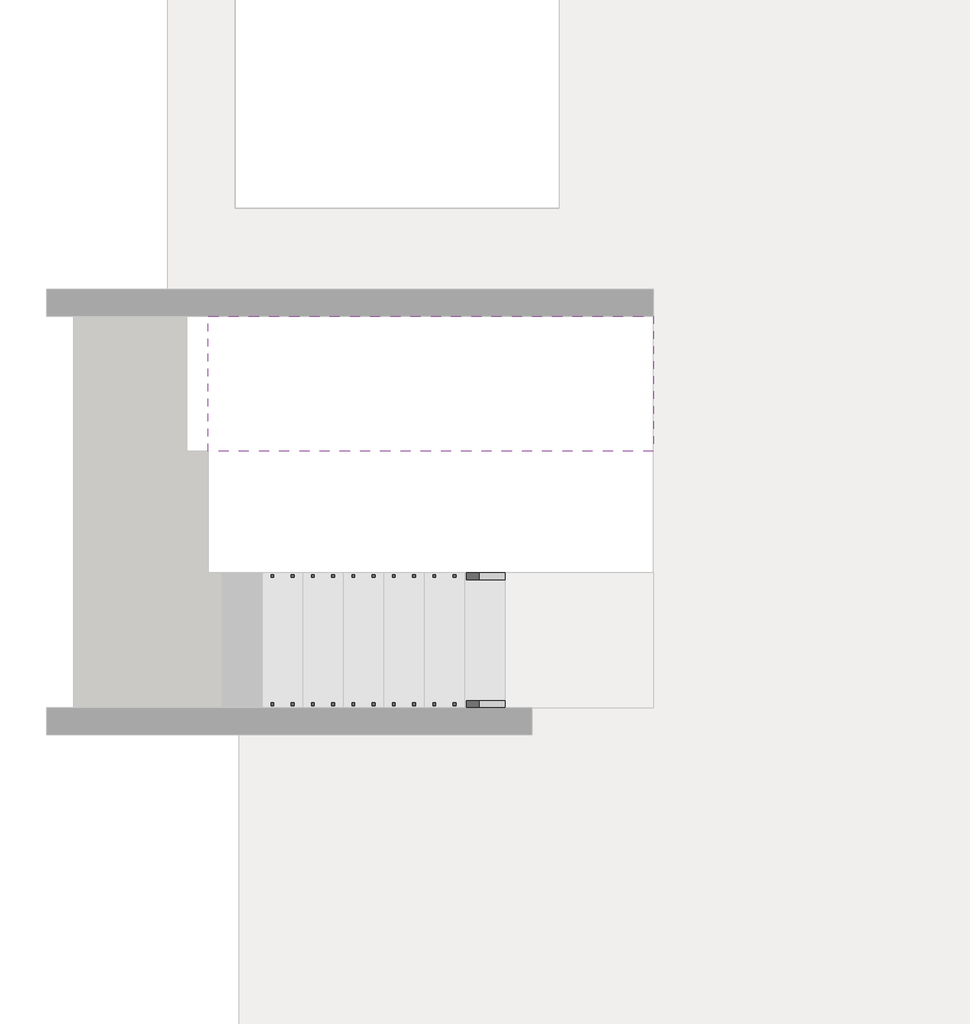
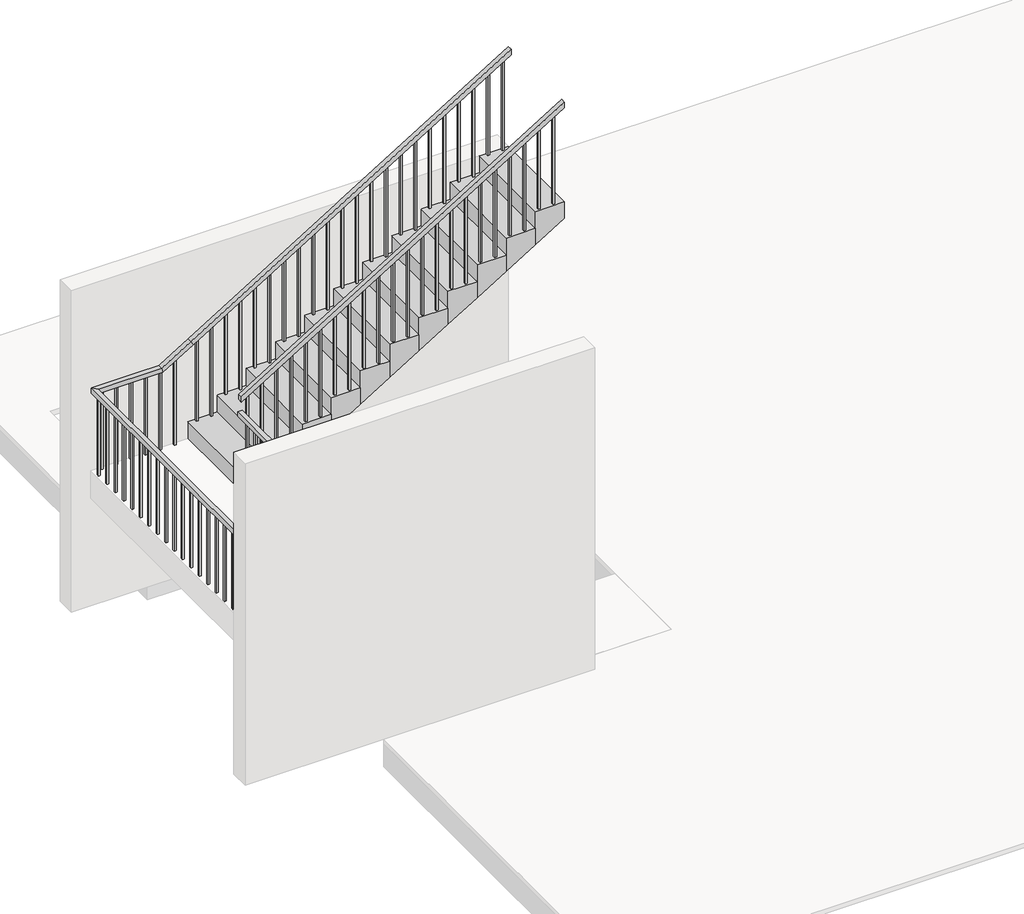
# One storey, part 5 of 5: 2 railings, 1 stair flight.
"""IFC4 building model written with IfcOpenShell, lengths in millimetres."""

from ifc_helpers import new_model, si_unit, frame, origin, place, context, project, spatial, polyline, outline, extrude, faceted_brep, element, save

model = new_model("IFC4")

# Units and contexts
model_context = context("Model", 3, world=origin())
ifc_project = project(units=[si_unit("LENGTHUNIT", "METRE", prefix="MILLI")], contexts=[model_context])

# Site, building, storey
site = spatial("IfcSite", under=ifc_project)
building = spatial("IfcBuilding", under=site)
storey = spatial("IfcBuildingStorey", under=building, Elevation=3500.0)

# Railings
placement = place(None, origin())
element("IfcRailing", 1, ObjectType="900mm", at=placement, inside=storey, context=model_context, shape_type="SolidModel", body=[
    faceted_brep([(2250.0, -5847.2939341, 4584.2105263), (2250.0, -5847.2939341, 4525.5368719), (2250.0, -5797.2939341, 4525.5368719), (2250.0, -5797.2939341, 4584.2105263), (150.0, -5847.2939341, 5873.6842105), (135.8743343, -5847.2939341, 5823.6842105), (135.8743343, -5797.2939341, 5823.6842105), (150.0, -5797.2939341, 5873.6842105), (-0.4, -5847.2939341, 5873.6842105), (-0.4, -5847.2939341, 5823.6842105), (49.6, -5797.2939341, 5823.6842105), (49.6, -5797.2939341, 5873.6842105), (-0.4, -4871.493934, 5873.6842105), (49.6, -4871.493934, 5873.6842105), (49.6, -4871.493934, 5823.6842105), (-0.4, -4871.493934, 5823.6842105)], [[[0, 1, 2, 3]], [[1, 0, 4, 5]], [[2, 1, 5, 6]], [[3, 2, 6, 7]], [[0, 3, 7, 4]], [[5, 4, 8, 9]], [[6, 5, 9, 10]], [[7, 6, 10, 11]], [[4, 7, 11, 8]], [[12, 13, 14, 15]], [[9, 8, 12, 15]], [[10, 9, 15, 14]], [[11, 10, 14, 13]], [[8, 11, 13, 12]]]),
    faceted_brep([(24.6, -4846.493934, 6042.2982456), (24.6, -4846.493934, 5983.6245912), (24.6, -4896.493934, 5983.6245912), (24.6, -4896.493934, 6042.2982456), (3350.0, -4846.493934, 8084.2105263), (3350.0, -4896.493934, 8084.2105263), (3350.0, -4896.493934, 8025.5368719), (3350.0, -4846.493934, 8025.5368719)], [[[0, 1, 2, 3]], [[4, 5, 6, 7]], [[1, 0, 4, 7]], [[2, 1, 7, 6]], [[3, 2, 6, 5]], [[0, 3, 5, 4]]]),
    extrude(outline(polyline([(7957.7473982, 3239.6), (7000.0, 3239.6), (7000.0, 3259.6), (7970.0281, 3259.6), (7957.7473982, 3239.6)])), frame((0.0, -4881.493934, 0.0), z_axis=(0.0, 1.0, 0.0), x_axis=(0.0, 0.0, 1.0)), (0.0, 0.0, 1.0), 20.0),
    extrude(outline(polyline([(7865.6421351, 3089.6), (7000.0, 3089.6), (7000.0, 3109.6), (7877.9228368, 3109.6), (7865.6421351, 3089.6)])), frame((0.0, -4881.493934, 0.0), z_axis=(0.0, 1.0, 0.0), x_axis=(0.0, 0.0, 1.0)), (0.0, 0.0, 1.0), 20.0),
    extrude(outline(polyline([(7773.5368719, 2939.6), (6815.7894737, 2939.6), (6815.7894737, 2959.6), (7785.8175737, 2959.6), (7773.5368719, 2939.6)])), frame((0.0, -4881.493934, 0.0), z_axis=(0.0, 1.0, 0.0), x_axis=(0.0, 0.0, 1.0)), (0.0, 0.0, 1.0), 20.0),
    extrude(outline(polyline([(7681.4316087, 2789.6), (6815.7894737, 2789.6), (6815.7894737, 2809.6), (7693.7123105, 2809.6), (7681.4316087, 2789.6)])), frame((0.0, -4881.493934, 0.0), z_axis=(0.0, 1.0, 0.0), x_axis=(0.0, 0.0, 1.0)), (0.0, 0.0, 1.0), 20.0),
    extrude(outline(polyline([(7589.3263456, 2639.6), (6631.5789474, 2639.6), (6631.5789474, 2659.6), (7601.6070473, 2659.6), (7589.3263456, 2639.6)])), frame((0.0, -4881.493934, 0.0), z_axis=(0.0, 1.0, 0.0), x_axis=(0.0, 0.0, 1.0)), (0.0, 0.0, 1.0), 20.0),
    extrude(outline(polyline([(7497.2210824, 2489.6), (6631.5789474, 2489.6), (6631.5789474, 2509.6), (7509.5017842, 2509.6), (7497.2210824, 2489.6)])), frame((0.0, -4881.493934, 0.0), z_axis=(0.0, 1.0, 0.0), x_axis=(0.0, 0.0, 1.0)), (0.0, 0.0, 1.0), 20.0),
    extrude(outline(polyline([(7405.1158193, 2339.6), (6447.3684211, 2339.6), (6447.3684211, 2359.6), (7417.396521, 2359.6), (7405.1158193, 2339.6)])), frame((0.0, -4881.493934, 0.0), z_axis=(0.0, 1.0, 0.0), x_axis=(0.0, 0.0, 1.0)), (0.0, 0.0, 1.0), 20.0),
    extrude(outline(polyline([(7313.0105561, 2189.6), (6447.3684211, 2189.6), (6447.3684211, 2209.6), (7325.2912579, 2209.6), (7313.0105561, 2189.6)])), frame((0.0, -4881.493934, 0.0), z_axis=(0.0, 1.0, 0.0), x_axis=(0.0, 0.0, 1.0)), (0.0, 0.0, 1.0), 20.0),
    extrude(outline(polyline([(7220.905293, 2039.6), (6263.1578947, 2039.6), (6263.1578947, 2059.6), (7233.1859947, 2059.6), (7220.905293, 2039.6)])), frame((0.0, -4881.493934, 0.0), z_axis=(0.0, 1.0, 0.0), x_axis=(0.0, 0.0, 1.0)), (0.0, 0.0, 1.0), 20.0),
    extrude(outline(polyline([(7128.8000298, 1889.6), (6263.1578947, 1889.6), (6263.1578947, 1909.6), (7141.0807316, 1909.6), (7128.8000298, 1889.6)])), frame((0.0, -4881.493934, 0.0), z_axis=(0.0, 1.0, 0.0), x_axis=(0.0, 0.0, 1.0)), (0.0, 0.0, 1.0), 20.0),
    extrude(outline(polyline([(7036.6947666, 1739.6), (6078.9473684, 1739.6), (6078.9473684, 1759.6), (7048.9754684, 1759.6), (7036.6947666, 1739.6)])), frame((0.0, -4881.493934, 0.0), z_axis=(0.0, 1.0, 0.0), x_axis=(0.0, 0.0, 1.0)), (0.0, 0.0, 1.0), 20.0),
    extrude(outline(polyline([(6944.5895035, 1589.6), (6078.9473684, 1589.6), (6078.9473684, 1609.6), (6956.8702052, 1609.6), (6944.5895035, 1589.6)])), frame((0.0, -4881.493934, 0.0), z_axis=(0.0, 1.0, 0.0), x_axis=(0.0, 0.0, 1.0)), (0.0, 0.0, 1.0), 20.0),
    extrude(outline(polyline([(6852.4842403, 1439.6), (5894.7368421, 1439.6), (5894.7368421, 1459.6), (6864.7649421, 1459.6), (6852.4842403, 1439.6)])), frame((0.0, -4881.493934, 0.0), z_axis=(0.0, 1.0, 0.0), x_axis=(0.0, 0.0, 1.0)), (0.0, 0.0, 1.0), 20.0),
    extrude(outline(polyline([(6760.3789772, 1289.6), (5894.7368421, 1289.6), (5894.7368421, 1309.6), (6772.6596789, 1309.6), (6760.3789772, 1289.6)])), frame((0.0, -4881.493934, 0.0), z_axis=(0.0, 1.0, 0.0), x_axis=(0.0, 0.0, 1.0)), (0.0, 0.0, 1.0), 20.0),
    extrude(outline(polyline([(6668.273714, 1139.6), (5710.5263158, 1139.6), (5710.5263158, 1159.6), (6680.5544158, 1159.6), (6668.273714, 1139.6)])), frame((0.0, -4881.493934, 0.0), z_axis=(0.0, 1.0, 0.0), x_axis=(0.0, 0.0, 1.0)), (0.0, 0.0, 1.0), 20.0),
    extrude(outline(polyline([(6576.1684508, 989.6), (5710.5263158, 989.6), (5710.5263158, 1009.6), (6588.4491526, 1009.6), (6576.1684508, 989.6)])), frame((0.0, -4881.493934, 0.0), z_axis=(0.0, 1.0, 0.0), x_axis=(0.0, 0.0, 1.0)), (0.0, 0.0, 1.0), 20.0),
    extrude(outline(polyline([(6484.0631877, 839.6), (5526.3157895, 839.6), (5526.3157895, 859.6), (6496.3438894, 859.6), (6484.0631877, 839.6)])), frame((0.0, -4881.493934, 0.0), z_axis=(0.0, 1.0, 0.0), x_axis=(0.0, 0.0, 1.0)), (0.0, 0.0, 1.0), 20.0),
    extrude(outline(polyline([(6391.9579245, 689.6), (5526.3157895, 689.6), (5526.3157895, 709.6), (6404.2386263, 709.6), (6391.9579245, 689.6)])), frame((0.0, -4881.493934, 0.0), z_axis=(0.0, 1.0, 0.0), x_axis=(0.0, 0.0, 1.0)), (0.0, 0.0, 1.0), 20.0),
    extrude(outline(polyline([(6299.8526614, 539.6), (5342.1052632, 539.6), (5342.1052632, 559.6), (6312.1333631, 559.6), (6299.8526614, 539.6)])), frame((0.0, -4881.493934, 0.0), z_axis=(0.0, 1.0, 0.0), x_axis=(0.0, 0.0, 1.0)), (0.0, 0.0, 1.0), 20.0),
    extrude(outline(polyline([(6207.7473982, 389.6), (5342.1052632, 389.6), (5342.1052632, 409.6), (6220.0281, 409.6), (6207.7473982, 389.6)])), frame((0.0, -4881.493934, 0.0), z_axis=(0.0, 1.0, 0.0), x_axis=(0.0, 0.0, 1.0)), (0.0, 0.0, 1.0), 20.0),
    extrude(outline(polyline([(6115.6421351, 239.6), (5157.8947368, 239.6), (5157.8947368, 259.6), (6127.9228368, 259.6), (6115.6421351, 239.6)])), frame((0.0, -4881.493934, 0.0), z_axis=(0.0, 1.0, 0.0), x_axis=(0.0, 0.0, 1.0)), (0.0, 0.0, 1.0), 20.0),
    extrude(outline(polyline([(6023.5368719, 89.6), (5157.8947368, 89.6), (5157.8947368, 109.6), (6035.8175737, 109.6), (6023.5368719, 89.6)])), frame((0.0, -4881.493934, 0.0), z_axis=(0.0, 1.0, 0.0), x_axis=(0.0, 0.0, 1.0)), (0.0, 0.0, 1.0), 20.0),
    extrude(outline(polyline([(34.6, -5007.2939341), (14.6, -5007.2939341), (14.6, -4987.2939341), (34.6, -4987.2939341), (34.6, -5007.2939341)])), frame((0.0, 0.0, 4973.6842105), z_axis=(0.0, 0.0, 1.0), x_axis=(1.0, 0.0, 0.0)), (0.0, 0.0, 1.0), 850.0),
    extrude(outline(polyline([(34.6, -5157.2939341), (14.6, -5157.2939341), (14.6, -5137.2939341), (34.6, -5137.2939341), (34.6, -5157.2939341)])), frame((0.0, 0.0, 4973.6842105), z_axis=(0.0, 0.0, 1.0), x_axis=(1.0, 0.0, 0.0)), (0.0, 0.0, 1.0), 850.0),
    extrude(outline(polyline([(34.6, -5307.2939341), (14.6, -5307.2939341), (14.6, -5287.2939341), (34.6, -5287.2939341), (34.6, -5307.2939341)])), frame((0.0, 0.0, 4973.6842105), z_axis=(0.0, 0.0, 1.0), x_axis=(1.0, 0.0, 0.0)), (0.0, 0.0, 1.0), 850.0),
    extrude(outline(polyline([(34.6, -5457.2939341), (14.6, -5457.2939341), (14.6, -5437.2939341), (34.6, -5437.2939341), (34.6, -5457.2939341)])), frame((0.0, 0.0, 4973.6842105), z_axis=(0.0, 0.0, 1.0), x_axis=(1.0, 0.0, 0.0)), (0.0, 0.0, 1.0), 850.0),
    extrude(outline(polyline([(34.6, -5607.2939341), (14.6, -5607.2939341), (14.6, -5587.2939341), (34.6, -5587.2939341), (34.6, -5607.2939341)])), frame((0.0, 0.0, 4973.6842105), z_axis=(0.0, 0.0, 1.0), x_axis=(1.0, 0.0, 0.0)), (0.0, 0.0, 1.0), 850.0),
    extrude(outline(polyline([(34.6, -5757.2939341), (14.6, -5757.2939341), (14.6, -5737.2939341), (34.6, -5737.2939341), (34.6, -5757.2939341)])), frame((0.0, 0.0, 4973.6842105), z_axis=(0.0, 0.0, 1.0), x_axis=(1.0, 0.0, 0.0)), (0.0, 0.0, 1.0), 850.0),
    extrude(outline(polyline([(85.0, -5812.2939341), (85.0, -5832.2939341), (65.0, -5832.2939341), (65.0, -5812.2939341), (85.0, -5812.2939341)])), frame((0.0, 0.0, 4973.6842105), z_axis=(0.0, 0.0, 1.0), x_axis=(1.0, 0.0, 0.0)), (0.0, 0.0, 1.0), 850.0),
    extrude(outline(polyline([(4789.4736842, 235.0), (5762.8175737, 235.0), (5775.0982754, 215.0), (4789.4736842, 215.0), (4789.4736842, 235.0)])), frame((0.0, -5832.2939341, 0.0), z_axis=(0.0, 1.0, 0.0), x_axis=(0.0, 0.0, 1.0)), (0.0, 0.0, 1.0), 20.0),
    extrude(outline(polyline([(4789.4736842, 385.0), (5670.7123105, 385.0), (5682.9930123, 365.0), (4789.4736842, 365.0), (4789.4736842, 385.0)])), frame((0.0, -5832.2939341, 0.0), z_axis=(0.0, 1.0, 0.0), x_axis=(0.0, 0.0, 1.0)), (0.0, 0.0, 1.0), 20.0),
    extrude(outline(polyline([(4605.2631579, 535.0), (5578.6070473, 535.0), (5590.8877491, 515.0), (4605.2631579, 515.0), (4605.2631579, 535.0)])), frame((0.0, -5832.2939341, 0.0), z_axis=(0.0, 1.0, 0.0), x_axis=(0.0, 0.0, 1.0)), (0.0, 0.0, 1.0), 20.0),
    extrude(outline(polyline([(4605.2631579, 685.0), (5486.5017842, 685.0), (5498.7824859, 665.0), (4605.2631579, 665.0), (4605.2631579, 685.0)])), frame((0.0, -5832.2939341, 0.0), z_axis=(0.0, 1.0, 0.0), x_axis=(0.0, 0.0, 1.0)), (0.0, 0.0, 1.0), 20.0),
    extrude(outline(polyline([(4421.0526316, 835.0), (5394.396521, 835.0), (5406.6772228, 815.0), (4421.0526316, 815.0), (4421.0526316, 835.0)])), frame((0.0, -5832.2939341, 0.0), z_axis=(0.0, 1.0, 0.0), x_axis=(0.0, 0.0, 1.0)), (0.0, 0.0, 1.0), 20.0),
    extrude(outline(polyline([(4421.0526316, 985.0), (5302.2912579, 985.0), (5314.5719596, 965.0), (4421.0526316, 965.0), (4421.0526316, 985.0)])), frame((0.0, -5832.2939341, 0.0), z_axis=(0.0, 1.0, 0.0), x_axis=(0.0, 0.0, 1.0)), (0.0, 0.0, 1.0), 20.0),
    extrude(outline(polyline([(4236.8421053, 1135.0), (5210.1859947, 1135.0), (5222.4666965, 1115.0), (4236.8421053, 1115.0), (4236.8421053, 1135.0)])), frame((0.0, -5832.2939341, 0.0), z_axis=(0.0, 1.0, 0.0), x_axis=(0.0, 0.0, 1.0)), (0.0, 0.0, 1.0), 20.0),
    extrude(outline(polyline([(4236.8421053, 1285.0), (5118.0807316, 1285.0), (5130.3614333, 1265.0), (4236.8421053, 1265.0), (4236.8421053, 1285.0)])), frame((0.0, -5832.2939341, 0.0), z_axis=(0.0, 1.0, 0.0), x_axis=(0.0, 0.0, 1.0)), (0.0, 0.0, 1.0), 20.0),
    extrude(outline(polyline([(4052.6315789, 1435.0), (5025.9754684, 1435.0), (5038.2561701, 1415.0), (4052.6315789, 1415.0), (4052.6315789, 1435.0)])), frame((0.0, -5832.2939341, 0.0), z_axis=(0.0, 1.0, 0.0), x_axis=(0.0, 0.0, 1.0)), (0.0, 0.0, 1.0), 20.0),
    extrude(outline(polyline([(4052.6315789, 1585.0), (4933.8702052, 1585.0), (4946.150907, 1565.0), (4052.6315789, 1565.0), (4052.6315789, 1585.0)])), frame((0.0, -5832.2939341, 0.0), z_axis=(0.0, 1.0, 0.0), x_axis=(0.0, 0.0, 1.0)), (0.0, 0.0, 1.0), 20.0),
    extrude(outline(polyline([(3868.4210526, 1735.0), (4841.7649421, 1735.0), (4854.0456438, 1715.0), (3868.4210526, 1715.0), (3868.4210526, 1735.0)])), frame((0.0, -5832.2939341, 0.0), z_axis=(0.0, 1.0, 0.0), x_axis=(0.0, 0.0, 1.0)), (0.0, 0.0, 1.0), 20.0),
    extrude(outline(polyline([(3868.4210526, 1885.0), (4749.6596789, 1885.0), (4761.9403807, 1865.0), (3868.4210526, 1865.0), (3868.4210526, 1885.0)])), frame((0.0, -5832.2939341, 0.0), z_axis=(0.0, 1.0, 0.0), x_axis=(0.0, 0.0, 1.0)), (0.0, 0.0, 1.0), 20.0),
    extrude(outline(polyline([(3684.2105263, 2035.0), (4657.5544158, 2035.0), (4669.8351175, 2015.0), (3684.2105263, 2015.0), (3684.2105263, 2035.0)])), frame((0.0, -5832.2939341, 0.0), z_axis=(0.0, 1.0, 0.0), x_axis=(0.0, 0.0, 1.0)), (0.0, 0.0, 1.0), 20.0),
    extrude(outline(polyline([(3684.2105263, 2185.0), (4565.4491526, 2185.0), (4577.7298544, 2165.0), (3684.2105263, 2165.0), (3684.2105263, 2185.0)])), frame((0.0, -5832.2939341, 0.0), z_axis=(0.0, 1.0, 0.0), x_axis=(0.0, 0.0, 1.0)), (0.0, 0.0, 1.0), 20.0),
])
element("IfcRailing", 2, ObjectType="900mm", at=placement, inside=storey, context=model_context, shape_type="SolidModel", body=[
    faceted_brep([(2250.0, -6796.4939341, 4584.2105263), (2250.0, -6796.4939341, 4525.5368719), (2250.0, -6746.4939341, 4525.5368719), (2250.0, -6746.4939341, 4584.2105263), (150.0, -6796.4939341, 5873.6842105), (135.8743343, -6796.4939341, 5823.6842105), (135.8743343, -6746.4939341, 5823.6842105), (150.0, -6746.4939341, 5873.6842105), (-949.6, -6796.4939341, 5873.6842105), (-949.6, -6796.4939341, 5823.6842105), (-899.6, -6746.4939341, 5823.6842105), (-899.6, -6746.4939341, 5873.6842105), (-949.6, -3897.293934, 5873.6842105), (-949.6, -3897.293934, 5823.6842105), (-899.6, -3947.293934, 5823.6842105), (-899.6, -3947.293934, 5873.6842105), (-250.0, -3897.293934, 5873.6842105), (-235.8743342, -3897.293934, 5823.6842105), (-235.8743342, -3947.293934, 5823.6842105), (-250.0, -3947.293934, 5873.6842105), (50.0, -3897.293934, 6057.8947368), (76.1631517, -3897.293934, 6015.2861756), (76.1631517, -3947.293934, 6015.2861756), (50.0, -3947.293934, 6057.8947368), (3350.0, -3897.293934, 8084.2105263), (3350.0, -3947.293934, 8084.2105263), (3350.0, -3947.293934, 8025.5368719), (3350.0, -3897.293934, 8025.5368719)], [[[0, 1, 2, 3]], [[1, 0, 4, 5]], [[2, 1, 5, 6]], [[3, 2, 6, 7]], [[0, 3, 7, 4]], [[5, 4, 8, 9]], [[6, 5, 9, 10]], [[7, 6, 10, 11]], [[4, 7, 11, 8]], [[9, 8, 12, 13]], [[10, 9, 13, 14]], [[11, 10, 14, 15]], [[8, 11, 15, 12]], [[13, 12, 16, 17]], [[14, 13, 17, 18]], [[15, 14, 18, 19]], [[12, 15, 19, 16]], [[17, 16, 20, 21]], [[18, 17, 21, 22]], [[19, 18, 22, 23]], [[16, 19, 23, 20]], [[24, 25, 26, 27]], [[21, 20, 24, 27]], [[22, 21, 27, 26]], [[23, 22, 26, 25]], [[20, 23, 25, 24]]]),
    extrude(outline(polyline([(7000.0, 3265.0), (7000.0, 3285.0), (7985.6245912, 3285.0), (7973.3438894, 3265.0), (7000.0, 3265.0)])), frame((0.0, -3932.293934, 0.0), z_axis=(0.0, 1.0, 0.0), x_axis=(0.0, 0.0, 1.0)), (0.0, 0.0, 1.0), 20.0),
    extrude(outline(polyline([(7000.0, 3115.0), (7000.0, 3135.0), (7893.519328, 3135.0), (7881.2386263, 3115.0), (7000.0, 3115.0)])), frame((0.0, -3932.293934, 0.0), z_axis=(0.0, 1.0, 0.0), x_axis=(0.0, 0.0, 1.0)), (0.0, 0.0, 1.0), 20.0),
    extrude(outline(polyline([(6815.7894737, 2965.0), (6815.7894737, 2985.0), (7801.4140649, 2985.0), (7789.1333631, 2965.0), (6815.7894737, 2965.0)])), frame((0.0, -3932.293934, 0.0), z_axis=(0.0, 1.0, 0.0), x_axis=(0.0, 0.0, 1.0)), (0.0, 0.0, 1.0), 20.0),
    extrude(outline(polyline([(6815.7894737, 2815.0), (6815.7894737, 2835.0), (7709.3088017, 2835.0), (7697.0281, 2815.0), (6815.7894737, 2815.0)])), frame((0.0, -3932.293934, 0.0), z_axis=(0.0, 1.0, 0.0), x_axis=(0.0, 0.0, 1.0)), (0.0, 0.0, 1.0), 20.0),
    extrude(outline(polyline([(6631.5789474, 2665.0), (6631.5789474, 2685.0), (7617.2035386, 2685.0), (7604.9228368, 2665.0), (6631.5789474, 2665.0)])), frame((0.0, -3932.293934, 0.0), z_axis=(0.0, 1.0, 0.0), x_axis=(0.0, 0.0, 1.0)), (0.0, 0.0, 1.0), 20.0),
    extrude(outline(polyline([(6631.5789474, 2515.0), (6631.5789474, 2535.0), (7525.0982754, 2535.0), (7512.8175737, 2515.0), (6631.5789474, 2515.0)])), frame((0.0, -3932.293934, 0.0), z_axis=(0.0, 1.0, 0.0), x_axis=(0.0, 0.0, 1.0)), (0.0, 0.0, 1.0), 20.0),
    extrude(outline(polyline([(6447.3684211, 2365.0), (6447.3684211, 2385.0), (7432.9930123, 2385.0), (7420.7123105, 2365.0), (6447.3684211, 2365.0)])), frame((0.0, -3932.293934, 0.0), z_axis=(0.0, 1.0, 0.0), x_axis=(0.0, 0.0, 1.0)), (0.0, 0.0, 1.0), 20.0),
    extrude(outline(polyline([(6447.3684211, 2215.0), (6447.3684211, 2235.0), (7340.8877491, 2235.0), (7328.6070473, 2215.0), (6447.3684211, 2215.0)])), frame((0.0, -3932.293934, 0.0), z_axis=(0.0, 1.0, 0.0), x_axis=(0.0, 0.0, 1.0)), (0.0, 0.0, 1.0), 20.0),
    extrude(outline(polyline([(6263.1578947, 2065.0), (6263.1578947, 2085.0), (7248.7824859, 2085.0), (7236.5017842, 2065.0), (6263.1578947, 2065.0)])), frame((0.0, -3932.293934, 0.0), z_axis=(0.0, 1.0, 0.0), x_axis=(0.0, 0.0, 1.0)), (0.0, 0.0, 1.0), 20.0),
    extrude(outline(polyline([(6263.1578947, 1915.0), (6263.1578947, 1935.0), (7156.6772228, 1935.0), (7144.396521, 1915.0), (6263.1578947, 1915.0)])), frame((0.0, -3932.293934, 0.0), z_axis=(0.0, 1.0, 0.0), x_axis=(0.0, 0.0, 1.0)), (0.0, 0.0, 1.0), 20.0),
    extrude(outline(polyline([(6078.9473684, 1765.0), (6078.9473684, 1785.0), (7064.5719596, 1785.0), (7052.2912579, 1765.0), (6078.9473684, 1765.0)])), frame((0.0, -3932.293934, 0.0), z_axis=(0.0, 1.0, 0.0), x_axis=(0.0, 0.0, 1.0)), (0.0, 0.0, 1.0), 20.0),
    extrude(outline(polyline([(6078.9473684, 1615.0), (6078.9473684, 1635.0), (6972.4666965, 1635.0), (6960.1859947, 1615.0), (6078.9473684, 1615.0)])), frame((0.0, -3932.293934, 0.0), z_axis=(0.0, 1.0, 0.0), x_axis=(0.0, 0.0, 1.0)), (0.0, 0.0, 1.0), 20.0),
    extrude(outline(polyline([(5894.7368421, 1465.0), (5894.7368421, 1485.0), (6880.3614333, 1485.0), (6868.0807316, 1465.0), (5894.7368421, 1465.0)])), frame((0.0, -3932.293934, 0.0), z_axis=(0.0, 1.0, 0.0), x_axis=(0.0, 0.0, 1.0)), (0.0, 0.0, 1.0), 20.0),
    extrude(outline(polyline([(5894.7368421, 1315.0), (5894.7368421, 1335.0), (6788.2561701, 1335.0), (6775.9754684, 1315.0), (5894.7368421, 1315.0)])), frame((0.0, -3932.293934, 0.0), z_axis=(0.0, 1.0, 0.0), x_axis=(0.0, 0.0, 1.0)), (0.0, 0.0, 1.0), 20.0),
    extrude(outline(polyline([(5710.5263158, 1165.0), (5710.5263158, 1185.0), (6696.150907, 1185.0), (6683.8702052, 1165.0), (5710.5263158, 1165.0)])), frame((0.0, -3932.293934, 0.0), z_axis=(0.0, 1.0, 0.0), x_axis=(0.0, 0.0, 1.0)), (0.0, 0.0, 1.0), 20.0),
    extrude(outline(polyline([(5710.5263158, 1015.0), (5710.5263158, 1035.0), (6604.0456438, 1035.0), (6591.7649421, 1015.0), (5710.5263158, 1015.0)])), frame((0.0, -3932.293934, 0.0), z_axis=(0.0, 1.0, 0.0), x_axis=(0.0, 0.0, 1.0)), (0.0, 0.0, 1.0), 20.0),
    extrude(outline(polyline([(5526.3157895, 865.0), (5526.3157895, 885.0), (6511.9403807, 885.0), (6499.6596789, 865.0), (5526.3157895, 865.0)])), frame((0.0, -3932.293934, 0.0), z_axis=(0.0, 1.0, 0.0), x_axis=(0.0, 0.0, 1.0)), (0.0, 0.0, 1.0), 20.0),
    extrude(outline(polyline([(5526.3157895, 715.0), (5526.3157895, 735.0), (6419.8351175, 735.0), (6407.5544158, 715.0), (5526.3157895, 715.0)])), frame((0.0, -3932.293934, 0.0), z_axis=(0.0, 1.0, 0.0), x_axis=(0.0, 0.0, 1.0)), (0.0, 0.0, 1.0), 20.0),
    extrude(outline(polyline([(5342.1052632, 565.0), (5342.1052632, 585.0), (6327.7298544, 585.0), (6315.4491526, 565.0), (5342.1052632, 565.0)])), frame((0.0, -3932.293934, 0.0), z_axis=(0.0, 1.0, 0.0), x_axis=(0.0, 0.0, 1.0)), (0.0, 0.0, 1.0), 20.0),
    extrude(outline(polyline([(5342.1052632, 415.0), (5342.1052632, 435.0), (6235.6245912, 435.0), (6223.3438894, 415.0), (5342.1052632, 415.0)])), frame((0.0, -3932.293934, 0.0), z_axis=(0.0, 1.0, 0.0), x_axis=(0.0, 0.0, 1.0)), (0.0, 0.0, 1.0), 20.0),
    extrude(outline(polyline([(5157.8947368, 265.0), (5157.8947368, 285.0), (6143.519328, 285.0), (6131.2386263, 265.0), (5157.8947368, 265.0)])), frame((0.0, -3932.293934, 0.0), z_axis=(0.0, 1.0, 0.0), x_axis=(0.0, 0.0, 1.0)), (0.0, 0.0, 1.0), 20.0),
    extrude(outline(polyline([(5157.8947368, 115.0), (5157.8947368, 135.0), (6051.4140649, 135.0), (6039.1333631, 115.0), (5157.8947368, 115.0)])), frame((0.0, -3932.293934, 0.0), z_axis=(0.0, 1.0, 0.0), x_axis=(0.0, 0.0, 1.0)), (0.0, 0.0, 1.0), 20.0),
    extrude(outline(polyline([(4973.6842105, -109.6), (4973.6842105, -89.6), (5913.5017842, -89.6), (5901.2210824, -109.6), (4973.6842105, -109.6)])), frame((0.0, -3932.293934, 0.0), z_axis=(0.0, 1.0, 0.0), x_axis=(0.0, 0.0, 1.0)), (0.0, 0.0, 1.0), 20.0),
    extrude(outline(polyline([(4973.6842105, -259.6), (4973.6842105, -239.6), (5821.396521, -239.6), (5809.1158193, -259.6), (4973.6842105, -259.6)])), frame((0.0, -3932.293934, 0.0), z_axis=(0.0, 1.0, 0.0), x_axis=(0.0, 0.0, 1.0)), (0.0, 0.0, 1.0), 20.0),
    extrude(outline(polyline([(-409.6, -3912.293934), (-389.6, -3912.293934), (-389.6, -3932.293934), (-409.6, -3932.293934), (-409.6, -3912.293934)])), frame((0.0, 0.0, 4973.6842105), z_axis=(0.0, 0.0, 1.0), x_axis=(1.0, 0.0, 0.0)), (0.0, 0.0, 1.0), 850.0),
    extrude(outline(polyline([(-559.6, -3912.293934), (-539.6, -3912.293934), (-539.6, -3932.293934), (-559.6, -3932.293934), (-559.6, -3912.293934)])), frame((0.0, 0.0, 4973.6842105), z_axis=(0.0, 0.0, 1.0), x_axis=(1.0, 0.0, 0.0)), (0.0, 0.0, 1.0), 850.0),
    extrude(outline(polyline([(-709.6, -3912.293934), (-689.6, -3912.293934), (-689.6, -3932.293934), (-709.6, -3932.293934), (-709.6, -3912.293934)])), frame((0.0, 0.0, 4973.6842105), z_axis=(0.0, 0.0, 1.0), x_axis=(1.0, 0.0, 0.0)), (0.0, 0.0, 1.0), 850.0),
    extrude(outline(polyline([(-859.6, -3912.293934), (-839.6, -3912.293934), (-839.6, -3932.293934), (-859.6, -3932.293934), (-859.6, -3912.293934)])), frame((0.0, 0.0, 4973.6842105), z_axis=(0.0, 0.0, 1.0), x_axis=(1.0, 0.0, 0.0)), (0.0, 0.0, 1.0), 850.0),
    extrude(outline(polyline([(-934.6, -4006.4939341), (-934.6, -3986.4939341), (-914.6, -3986.4939341), (-914.6, -4006.4939341), (-934.6, -4006.4939341)])), frame((0.0, 0.0, 4973.6842105), z_axis=(0.0, 0.0, 1.0), x_axis=(1.0, 0.0, 0.0)), (0.0, 0.0, 1.0), 850.0),
    extrude(outline(polyline([(-934.6, -4156.4939341), (-934.6, -4136.4939341), (-914.6, -4136.4939341), (-914.6, -4156.4939341), (-934.6, -4156.4939341)])), frame((0.0, 0.0, 4973.6842105), z_axis=(0.0, 0.0, 1.0), x_axis=(1.0, 0.0, 0.0)), (0.0, 0.0, 1.0), 850.0),
    extrude(outline(polyline([(-934.6, -4306.4939341), (-934.6, -4286.4939341), (-914.6, -4286.4939341), (-914.6, -4306.4939341), (-934.6, -4306.4939341)])), frame((0.0, 0.0, 4973.6842105), z_axis=(0.0, 0.0, 1.0), x_axis=(1.0, 0.0, 0.0)), (0.0, 0.0, 1.0), 850.0),
    extrude(outline(polyline([(-934.6, -4456.4939341), (-934.6, -4436.4939341), (-914.6, -4436.4939341), (-914.6, -4456.4939341), (-934.6, -4456.4939341)])), frame((0.0, 0.0, 4973.6842105), z_axis=(0.0, 0.0, 1.0), x_axis=(1.0, 0.0, 0.0)), (0.0, 0.0, 1.0), 850.0),
    extrude(outline(polyline([(-934.6, -4606.4939341), (-934.6, -4586.4939341), (-914.6, -4586.4939341), (-914.6, -4606.4939341), (-934.6, -4606.4939341)])), frame((0.0, 0.0, 4973.6842105), z_axis=(0.0, 0.0, 1.0), x_axis=(1.0, 0.0, 0.0)), (0.0, 0.0, 1.0), 850.0),
    extrude(outline(polyline([(-934.6, -4756.4939341), (-934.6, -4736.4939341), (-914.6, -4736.4939341), (-914.6, -4756.4939341), (-934.6, -4756.4939341)])), frame((0.0, 0.0, 4973.6842105), z_axis=(0.0, 0.0, 1.0), x_axis=(1.0, 0.0, 0.0)), (0.0, 0.0, 1.0), 850.0),
    extrude(outline(polyline([(-934.6, -4906.4939341), (-934.6, -4886.4939341), (-914.6, -4886.4939341), (-914.6, -4906.4939341), (-934.6, -4906.4939341)])), frame((0.0, 0.0, 4973.6842105), z_axis=(0.0, 0.0, 1.0), x_axis=(1.0, 0.0, 0.0)), (0.0, 0.0, 1.0), 850.0),
    extrude(outline(polyline([(-934.6, -5056.4939341), (-934.6, -5036.4939341), (-914.6, -5036.4939341), (-914.6, -5056.4939341), (-934.6, -5056.4939341)])), frame((0.0, 0.0, 4973.6842105), z_axis=(0.0, 0.0, 1.0), x_axis=(1.0, 0.0, 0.0)), (0.0, 0.0, 1.0), 850.0),
    extrude(outline(polyline([(-934.6, -5206.4939341), (-934.6, -5186.4939341), (-914.6, -5186.4939341), (-914.6, -5206.4939341), (-934.6, -5206.4939341)])), frame((0.0, 0.0, 4973.6842105), z_axis=(0.0, 0.0, 1.0), x_axis=(1.0, 0.0, 0.0)), (0.0, 0.0, 1.0), 850.0),
    extrude(outline(polyline([(-934.6, -5356.4939341), (-934.6, -5336.4939341), (-914.6, -5336.4939341), (-914.6, -5356.4939341), (-934.6, -5356.4939341)])), frame((0.0, 0.0, 4973.6842105), z_axis=(0.0, 0.0, 1.0), x_axis=(1.0, 0.0, 0.0)), (0.0, 0.0, 1.0), 850.0),
    extrude(outline(polyline([(-934.6, -5506.4939341), (-934.6, -5486.4939341), (-914.6, -5486.4939341), (-914.6, -5506.4939341), (-934.6, -5506.4939341)])), frame((0.0, 0.0, 4973.6842105), z_axis=(0.0, 0.0, 1.0), x_axis=(1.0, 0.0, 0.0)), (0.0, 0.0, 1.0), 850.0),
    extrude(outline(polyline([(-934.6, -5656.4939341), (-934.6, -5636.4939341), (-914.6, -5636.4939341), (-914.6, -5656.4939341), (-934.6, -5656.4939341)])), frame((0.0, 0.0, 4973.6842105), z_axis=(0.0, 0.0, 1.0), x_axis=(1.0, 0.0, 0.0)), (0.0, 0.0, 1.0), 850.0),
    extrude(outline(polyline([(-934.6, -5806.4939341), (-934.6, -5786.4939341), (-914.6, -5786.4939341), (-914.6, -5806.4939341), (-934.6, -5806.4939341)])), frame((0.0, 0.0, 4973.6842105), z_axis=(0.0, 0.0, 1.0), x_axis=(1.0, 0.0, 0.0)), (0.0, 0.0, 1.0), 850.0),
    extrude(outline(polyline([(-934.6, -5956.4939341), (-934.6, -5936.4939341), (-914.6, -5936.4939341), (-914.6, -5956.4939341), (-934.6, -5956.4939341)])), frame((0.0, 0.0, 4973.6842105), z_axis=(0.0, 0.0, 1.0), x_axis=(1.0, 0.0, 0.0)), (0.0, 0.0, 1.0), 850.0),
    extrude(outline(polyline([(-934.6, -6106.4939341), (-934.6, -6086.4939341), (-914.6, -6086.4939341), (-914.6, -6106.4939341), (-934.6, -6106.4939341)])), frame((0.0, 0.0, 4973.6842105), z_axis=(0.0, 0.0, 1.0), x_axis=(1.0, 0.0, 0.0)), (0.0, 0.0, 1.0), 850.0),
    extrude(outline(polyline([(-934.6, -6256.4939341), (-934.6, -6236.4939341), (-914.6, -6236.4939341), (-914.6, -6256.4939341), (-934.6, -6256.4939341)])), frame((0.0, 0.0, 4973.6842105), z_axis=(0.0, 0.0, 1.0), x_axis=(1.0, 0.0, 0.0)), (0.0, 0.0, 1.0), 850.0),
    extrude(outline(polyline([(-934.6, -6406.4939341), (-934.6, -6386.4939341), (-914.6, -6386.4939341), (-914.6, -6406.4939341), (-934.6, -6406.4939341)])), frame((0.0, 0.0, 4973.6842105), z_axis=(0.0, 0.0, 1.0), x_axis=(1.0, 0.0, 0.0)), (0.0, 0.0, 1.0), 850.0),
    extrude(outline(polyline([(-934.6, -6556.4939341), (-934.6, -6536.4939341), (-914.6, -6536.4939341), (-914.6, -6556.4939341), (-934.6, -6556.4939341)])), frame((0.0, 0.0, 4973.6842105), z_axis=(0.0, 0.0, 1.0), x_axis=(1.0, 0.0, 0.0)), (0.0, 0.0, 1.0), 850.0),
    extrude(outline(polyline([(-934.6, -6706.4939341), (-934.6, -6686.4939341), (-914.6, -6686.4939341), (-914.6, -6706.4939341), (-934.6, -6706.4939341)])), frame((0.0, 0.0, 4973.6842105), z_axis=(0.0, 0.0, 1.0), x_axis=(1.0, 0.0, 0.0)), (0.0, 0.0, 1.0), 850.0),
    extrude(outline(polyline([(-815.0, -6781.4939341), (-835.0, -6781.4939341), (-835.0, -6761.4939341), (-815.0, -6761.4939341), (-815.0, -6781.4939341)])), frame((0.0, 0.0, 4973.6842105), z_axis=(0.0, 0.0, 1.0), x_axis=(1.0, 0.0, 0.0)), (0.0, 0.0, 1.0), 850.0),
    extrude(outline(polyline([(-665.0, -6781.4939341), (-685.0, -6781.4939341), (-685.0, -6761.4939341), (-665.0, -6761.4939341), (-665.0, -6781.4939341)])), frame((0.0, 0.0, 4973.6842105), z_axis=(0.0, 0.0, 1.0), x_axis=(1.0, 0.0, 0.0)), (0.0, 0.0, 1.0), 850.0),
    extrude(outline(polyline([(-515.0, -6781.4939341), (-535.0, -6781.4939341), (-535.0, -6761.4939341), (-515.0, -6761.4939341), (-515.0, -6781.4939341)])), frame((0.0, 0.0, 4973.6842105), z_axis=(0.0, 0.0, 1.0), x_axis=(1.0, 0.0, 0.0)), (0.0, 0.0, 1.0), 850.0),
    extrude(outline(polyline([(-365.0, -6781.4939341), (-385.0, -6781.4939341), (-385.0, -6761.4939341), (-365.0, -6761.4939341), (-365.0, -6781.4939341)])), frame((0.0, 0.0, 4973.6842105), z_axis=(0.0, 0.0, 1.0), x_axis=(1.0, 0.0, 0.0)), (0.0, 0.0, 1.0), 850.0),
    extrude(outline(polyline([(-215.0, -6781.4939341), (-235.0, -6781.4939341), (-235.0, -6761.4939341), (-215.0, -6761.4939341), (-215.0, -6781.4939341)])), frame((0.0, 0.0, 4973.6842105), z_axis=(0.0, 0.0, 1.0), x_axis=(1.0, 0.0, 0.0)), (0.0, 0.0, 1.0), 850.0),
    extrude(outline(polyline([(-65.0, -6781.4939341), (-85.0, -6781.4939341), (-85.0, -6761.4939341), (-65.0, -6761.4939341), (-65.0, -6781.4939341)])), frame((0.0, 0.0, 4973.6842105), z_axis=(0.0, 0.0, 1.0), x_axis=(1.0, 0.0, 0.0)), (0.0, 0.0, 1.0), 850.0),
    extrude(outline(polyline([(85.0, -6781.4939341), (65.0, -6781.4939341), (65.0, -6761.4939341), (85.0, -6761.4939341), (85.0, -6781.4939341)])), frame((0.0, 0.0, 4973.6842105), z_axis=(0.0, 0.0, 1.0), x_axis=(1.0, 0.0, 0.0)), (0.0, 0.0, 1.0), 850.0),
    extrude(outline(polyline([(5762.8175737, 235.0), (5775.0982754, 215.0), (4789.4736842, 215.0), (4789.4736842, 235.0), (5762.8175737, 235.0)])), frame((0.0, -6781.4939341, 0.0), z_axis=(0.0, 1.0, 0.0), x_axis=(0.0, 0.0, 1.0)), (0.0, 0.0, 1.0), 20.0),
    extrude(outline(polyline([(5670.7123105, 385.0), (5682.9930123, 365.0), (4789.4736842, 365.0), (4789.4736842, 385.0), (5670.7123105, 385.0)])), frame((0.0, -6781.4939341, 0.0), z_axis=(0.0, 1.0, 0.0), x_axis=(0.0, 0.0, 1.0)), (0.0, 0.0, 1.0), 20.0),
    extrude(outline(polyline([(5578.6070473, 535.0), (5590.8877491, 515.0), (4605.2631579, 515.0), (4605.2631579, 535.0), (5578.6070473, 535.0)])), frame((0.0, -6781.4939341, 0.0), z_axis=(0.0, 1.0, 0.0), x_axis=(0.0, 0.0, 1.0)), (0.0, 0.0, 1.0), 20.0),
    extrude(outline(polyline([(5486.5017842, 685.0), (5498.7824859, 665.0), (4605.2631579, 665.0), (4605.2631579, 685.0), (5486.5017842, 685.0)])), frame((0.0, -6781.4939341, 0.0), z_axis=(0.0, 1.0, 0.0), x_axis=(0.0, 0.0, 1.0)), (0.0, 0.0, 1.0), 20.0),
    extrude(outline(polyline([(5394.396521, 835.0), (5406.6772228, 815.0), (4421.0526316, 815.0), (4421.0526316, 835.0), (5394.396521, 835.0)])), frame((0.0, -6781.4939341, 0.0), z_axis=(0.0, 1.0, 0.0), x_axis=(0.0, 0.0, 1.0)), (0.0, 0.0, 1.0), 20.0),
    extrude(outline(polyline([(5302.2912579, 985.0), (5314.5719596, 965.0), (4421.0526316, 965.0), (4421.0526316, 985.0), (5302.2912579, 985.0)])), frame((0.0, -6781.4939341, 0.0), z_axis=(0.0, 1.0, 0.0), x_axis=(0.0, 0.0, 1.0)), (0.0, 0.0, 1.0), 20.0),
    extrude(outline(polyline([(5210.1859947, 1135.0), (5222.4666965, 1115.0), (4236.8421053, 1115.0), (4236.8421053, 1135.0), (5210.1859947, 1135.0)])), frame((0.0, -6781.4939341, 0.0), z_axis=(0.0, 1.0, 0.0), x_axis=(0.0, 0.0, 1.0)), (0.0, 0.0, 1.0), 20.0),
    extrude(outline(polyline([(5118.0807316, 1285.0), (5130.3614333, 1265.0), (4236.8421053, 1265.0), (4236.8421053, 1285.0), (5118.0807316, 1285.0)])), frame((0.0, -6781.4939341, 0.0), z_axis=(0.0, 1.0, 0.0), x_axis=(0.0, 0.0, 1.0)), (0.0, 0.0, 1.0), 20.0),
    extrude(outline(polyline([(5025.9754684, 1435.0), (5038.2561701, 1415.0), (4052.6315789, 1415.0), (4052.6315789, 1435.0), (5025.9754684, 1435.0)])), frame((0.0, -6781.4939341, 0.0), z_axis=(0.0, 1.0, 0.0), x_axis=(0.0, 0.0, 1.0)), (0.0, 0.0, 1.0), 20.0),
    extrude(outline(polyline([(4933.8702052, 1585.0), (4946.150907, 1565.0), (4052.6315789, 1565.0), (4052.6315789, 1585.0), (4933.8702052, 1585.0)])), frame((0.0, -6781.4939341, 0.0), z_axis=(0.0, 1.0, 0.0), x_axis=(0.0, 0.0, 1.0)), (0.0, 0.0, 1.0), 20.0),
    extrude(outline(polyline([(4841.7649421, 1735.0), (4854.0456438, 1715.0), (3868.4210526, 1715.0), (3868.4210526, 1735.0), (4841.7649421, 1735.0)])), frame((0.0, -6781.4939341, 0.0), z_axis=(0.0, 1.0, 0.0), x_axis=(0.0, 0.0, 1.0)), (0.0, 0.0, 1.0), 20.0),
    extrude(outline(polyline([(4749.6596789, 1885.0), (4761.9403807, 1865.0), (3868.4210526, 1865.0), (3868.4210526, 1885.0), (4749.6596789, 1885.0)])), frame((0.0, -6781.4939341, 0.0), z_axis=(0.0, 1.0, 0.0), x_axis=(0.0, 0.0, 1.0)), (0.0, 0.0, 1.0), 20.0),
    extrude(outline(polyline([(4657.5544158, 2035.0), (4669.8351175, 2015.0), (3684.2105263, 2015.0), (3684.2105263, 2035.0), (4657.5544158, 2035.0)])), frame((0.0, -6781.4939341, 0.0), z_axis=(0.0, 1.0, 0.0), x_axis=(0.0, 0.0, 1.0)), (0.0, 0.0, 1.0), 20.0),
    extrude(outline(polyline([(4565.4491526, 2185.0), (4577.7298544, 2165.0), (3684.2105263, 2165.0), (3684.2105263, 2185.0), (4565.4491526, 2185.0)])), frame((0.0, -6781.4939341, 0.0), z_axis=(0.0, 1.0, 0.0), x_axis=(0.0, 0.0, 1.0)), (0.0, 0.0, 1.0), 20.0),
])

# Stair flight
element("IfcStairFlight", 3, ObjectType="Nez de marche 25 mm", at=placement, inside=storey, context=model_context, shape_type="Brep", body=[
    faceted_brep([(350.0, -3896.893934, 5157.8947368), (50.0, -3896.893934, 5157.8947368), (50.0, -4896.893934, 5157.8947368), (350.0, -4896.893934, 5157.8947368), (350.0, -3896.893934, 4981.8737736), (50.0, -3896.893934, 4797.6632473), (50.0, -3896.893934, 4973.6842105), (50.0, -4896.893934, 4797.6632473), (350.0, -4896.893934, 4981.8737736), (650.0, -3896.893934, 5342.1052632), (350.0, -3896.893934, 5342.1052632), (350.0, -4896.893934, 5342.1052632), (650.0, -4896.893934, 5342.1052632), (650.0, -3896.893934, 5166.0842999), (650.0, -4896.893934, 5166.0842999), (950.0, -3896.893934, 5526.3157895), (650.0, -3896.893934, 5526.3157895), (650.0, -4896.893934, 5526.3157895), (950.0, -4896.893934, 5526.3157895), (950.0, -3896.893934, 5350.2948262), (950.0, -4896.893934, 5350.2948262), (1250.0, -3896.893934, 5710.5263158), (950.0, -3896.893934, 5710.5263158), (950.0, -4896.893934, 5710.5263158), (1250.0, -4896.893934, 5710.5263158), (1250.0, -3896.893934, 5534.5053525), (1250.0, -4896.893934, 5534.5053525), (1550.0, -3896.893934, 5894.7368421), (1250.0, -3896.893934, 5894.7368421), (1250.0, -4896.893934, 5894.7368421), (1550.0, -4896.893934, 5894.7368421), (1550.0, -3896.893934, 5718.7158789), (1550.0, -4896.893934, 5718.7158789), (1850.0, -3896.893934, 6078.9473684), (1550.0, -3896.893934, 6078.9473684), (1550.0, -4896.893934, 6078.9473684), (1850.0, -4896.893934, 6078.9473684), (1850.0, -3896.893934, 5902.9264052), (1850.0, -4896.893934, 5902.9264052), (2150.0, -3896.893934, 6263.1578947), (1850.0, -3896.893934, 6263.1578947), (1850.0, -4896.893934, 6263.1578947), (2150.0, -4896.893934, 6263.1578947), (2150.0, -3896.893934, 6087.1369315), (2150.0, -4896.893934, 6087.1369315), (2450.0, -3896.893934, 6447.3684211), (2150.0, -3896.893934, 6447.3684211), (2150.0, -4896.893934, 6447.3684211), (2450.0, -4896.893934, 6447.3684211), (2450.0, -3896.893934, 6271.3474578), (2450.0, -4896.893934, 6271.3474578), (2750.0, -3896.893934, 6631.5789474), (2450.0, -3896.893934, 6631.5789474), (2450.0, -4896.893934, 6631.5789474), (2750.0, -4896.893934, 6631.5789474), (2750.0, -3896.893934, 6455.5579841), (2750.0, -4896.893934, 6455.5579841), (3050.0, -3896.893934, 6815.7894737), (2750.0, -3896.893934, 6815.7894737), (2750.0, -4896.893934, 6815.7894737), (3050.0, -4896.893934, 6815.7894737), (3050.0, -3896.893934, 6639.7685104), (3050.0, -4896.893934, 6639.7685104), (3350.0, -3896.893934, 6823.9790368), (3350.0, -4896.893934, 6823.9790368), (3350.0, -3896.893934, 7000.0), (3050.0, -3896.893934, 7000.0), (3050.0, -4896.893934, 7000.0), (3350.0, -4896.893934, 7000.0)], [[[0, 1, 2, 3]], [[1, 0, 4, 5, 6]], [[2, 1, 6, 5, 7]], [[3, 2, 7, 8]], [[9, 10, 11, 12]], [[10, 9, 13, 4, 0]], [[11, 10, 0, 3]], [[12, 11, 3, 8, 14]], [[15, 16, 17, 18]], [[16, 15, 19, 13, 9]], [[17, 16, 9, 12]], [[18, 17, 12, 14, 20]], [[21, 22, 23, 24]], [[22, 21, 25, 19, 15]], [[23, 22, 15, 18]], [[24, 23, 18, 20, 26]], [[27, 28, 29, 30]], [[28, 27, 31, 25, 21]], [[29, 28, 21, 24]], [[30, 29, 24, 26, 32]], [[33, 34, 35, 36]], [[34, 33, 37, 31, 27]], [[35, 34, 27, 30]], [[36, 35, 30, 32, 38]], [[39, 40, 41, 42]], [[40, 39, 43, 37, 33]], [[41, 40, 33, 36]], [[42, 41, 36, 38, 44]], [[45, 46, 47, 48]], [[46, 45, 49, 43, 39]], [[47, 46, 39, 42]], [[48, 47, 42, 44, 50]], [[51, 52, 53, 54]], [[52, 51, 55, 49, 45]], [[53, 52, 45, 48]], [[54, 53, 48, 50, 56]], [[57, 58, 59, 60]], [[58, 57, 61, 55, 51]], [[59, 58, 51, 54]], [[60, 59, 54, 56, 62]], [[5, 4, 13, 19, 25, 31, 37, 43, 49, 55, 61, 63, 64, 62, 56, 50, 44, 38, 32, 26, 20, 14, 8, 7]], [[65, 66, 67, 68]], [[66, 65, 63, 61, 57]], [[67, 66, 57, 60]], [[68, 67, 60, 62, 64]], [[65, 68, 64, 63]]]),
])

save(model, "model.ifc")
